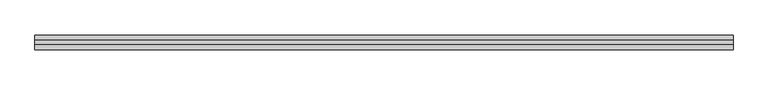
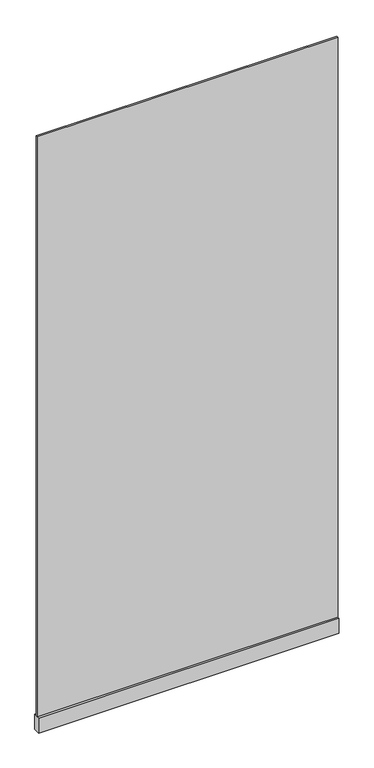
"""IFC4 building model written with IfcOpenShell, lengths in millimetres: plate geometry."""

from ifc_helpers import new_model, si_unit, frame, origin, origin_with_axes, place, context, project, spatial, polyline, outline, extrude, source, transform, mapped, element, save


def plate_a5bdaeee(model_context):
    return source(origin(), model_context, "Body", "SweptSolid", [
        extrude(outline(polyline([(-950.7142857, -5.0), (-950.7142857, 5.0), (950.7142857, 5.0), (950.7142857, -5.0), (-950.7142857, -5.0)])), frame((0.0, 0.0, 100.0), z_axis=(0.0, 0.0, 1.0), x_axis=(1.0, 0.0, 0.0)), (0.0, 0.0, 1.0), 3875.0),
        extrude(outline(polyline([(-950.7142857, -20.0), (-950.7142857, 20.0), (950.7142857, 20.0), (950.7142857, -20.0), (-950.7142857, -20.0)])), origin_with_axes(), (0.0, 0.0, 1.0), 100.0),
    ])


if __name__ == "__main__":
    model = new_model("IFC4")
    model_context = context("Model", 3, world=origin())
    ifc_project = project(units=[si_unit("LENGTHUNIT", "METRE", prefix="MILLI")], contexts=[model_context])
    site = spatial("IfcSite", under=ifc_project)
    building = spatial("IfcBuilding", under=site)
    placement = place(None, origin())
    plate_shape = plate_a5bdaeee(model_context)
    element("IfcPlate", 1, at=placement, inside=building, context=model_context, shape_type="MappedRepresentation", body=[
        mapped(plate_shape, transform((0.0, 0.0, 0.0), x_axis=(1.0, 0.0, 0.0), y_axis=(0.0, 1.0, 0.0), z_axis=(0.0, 0.0, 1.0))),
    ])
    save(model, "model.ifc")
